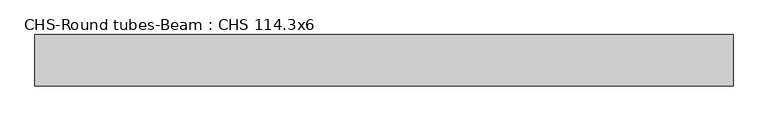
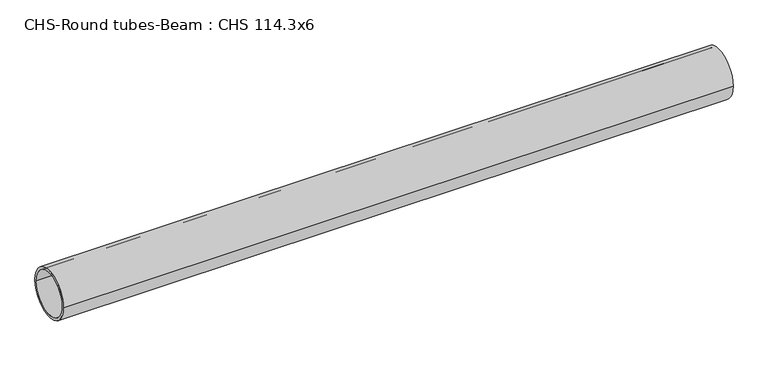
"""IFC4 building model written with IfcOpenShell, lengths in millimetres: beam geometry, CHS-Round tubes-Beam : CHS 114.3x6."""

from ifc_helpers import new_model, si_unit, point, frame, origin, origin_2d, place, context, project, spatial, circle_curve, trimmed, segment, composite_curve, outline, extrude, source, transform, mapped, element, save


def chs_round_tubes_beam_chs_114_3x6_aab237c1(model_context):
    return source(origin(), model_context, "Body", "SweptSolid", [
        extrude(outline(composite_curve([segment(trimmed(circle_curve(origin_2d(), 57.15), [point((57.15, 0.0))], [point((-57.15, 0.0))], False, "CARTESIAN"), True, "CONTINUOUS"), segment(trimmed(circle_curve(origin_2d(), 57.15), [point((-57.15, 0.0))], [point((57.15, 0.0))], False, "CARTESIAN"), True, "CONTINUOUS")], self_intersect=False), holes=[composite_curve([segment(trimmed(circle_curve(origin_2d(), 51.15), [point((51.15, 0.0))], [point((-51.15, 0.0))], True, "CARTESIAN"), True, "CONTINUOUS"), segment(trimmed(circle_curve(origin_2d(), 51.15), [point((-51.15, 0.0))], [point((51.15, 0.0))], True, "CARTESIAN"), True, "CONTINUOUS")], self_intersect=False)]), frame((-789.9823529, 0.0, 0.0), z_axis=(1.0, 0.0, 0.0), x_axis=(0.0, 1.0, 0.0)), (0.0, 0.0, 1.0), 1555.2462291),
    ])


if __name__ == "__main__":
    model = new_model("IFC4")
    model_context = context("Model", 3, world=origin())
    ifc_project = project(units=[si_unit("LENGTHUNIT", "METRE", prefix="MILLI")], contexts=[model_context])
    site = spatial("IfcSite", under=ifc_project)
    building = spatial("IfcBuilding", under=site)
    placement = place(None, origin())
    chs_round_tubes_beam_chs_114_3x6_shape = chs_round_tubes_beam_chs_114_3x6_aab237c1(model_context)
    element("IfcBeam", 1, ObjectType="CHS-Round tubes-Beam : CHS 114.3x6", at=placement, inside=building, context=model_context, shape_type="MappedRepresentation", body=[
        mapped(chs_round_tubes_beam_chs_114_3x6_shape, transform((0.0, 0.0, 0.0), x_axis=(1.0, 0.0, 0.0), y_axis=(0.0, 1.0, 0.0), z_axis=(0.0, 0.0, 1.0))),
    ])
    save(model, "model.ifc")
